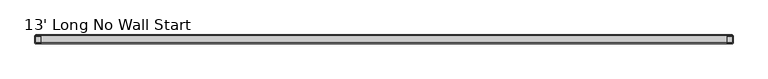
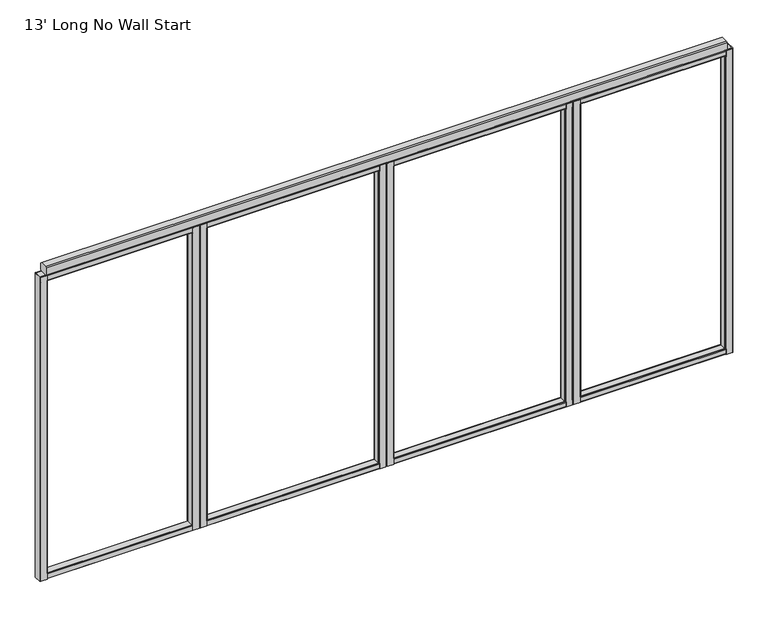
"""IFC4 building model written with IfcOpenShell, lengths in millimetres: furniture geometry, 13' Long No Wall Start."""

from ifc_helpers import new_model, si_unit, frame, origin, place, context, project, spatial, polyline, outline, extrude, faceted_brep, source, transform, mapped, element, save


def furniture_13_long_no_wall_start_eab5a159(model_context):
    return source(origin(), model_context, "Body", "SolidModel", [
        faceted_brep([(918.8958, 25.4, 1937.6408515), (918.8958, 23.1181008, 1937.6408515), (919.3151471, 23.2918, 1937.6408515), (953.9348529, 23.2918, 1937.6408515), (954.3542, 23.1181008, 1937.6408515), (954.3542, 25.4, 1937.6408515), (954.3542, -25.4, 1937.6408515), (954.3542, -23.1181008, 1937.6408515), (953.9348529, -23.2918, 1937.6408515), (919.3151471, -23.2918, 1937.6408515), (918.8958, -23.1181008, 1937.6408515), (918.8958, -25.4, 1937.6408515), (918.8958, -25.4, 104.7768515), (918.8958, -23.1181008, 104.7768515), (919.3151471, -23.2918, 104.7768515), (953.9348529, -23.2918, 104.7768515), (954.3542, -23.1181008, 104.7768515), (954.3542, -25.4, 104.7768515), (954.3542, 25.4, 104.7768515), (954.3542, 23.1181008, 104.7768515), (953.9348529, 23.2918, 104.7768515), (919.3151471, 23.2918, 104.7768515), (918.8958, 23.1181008, 104.7768515), (918.8958, 25.4, 104.7768515), (958.85, -20.9042, 1905.6368515), (958.85, -20.9042, 136.7808515), (958.85, 20.9042, 136.7808515), (958.85, 20.9042, 1905.6368515), (918.8958, -25.4, 1905.6368515), (918.8958, -25.4, 136.7808515), (954.3542, -25.4, 136.7808515), (954.3542, -25.4, 1905.6368515), (914.4, -20.9042, 136.7808515), (914.4, -20.9042, 1905.6368515), (914.4, 20.9042, 1905.6368515), (914.4, 20.9042, 136.7808515), (954.3542, 25.4, 1905.6368515), (954.3542, 25.4, 136.7808515), (918.8958, 25.4, 136.7808515), (918.8958, 25.4, 1905.6368515), (957.5332107, 24.0832107, 1905.6368515), (957.5332107, 24.0832107, 136.7808515), (957.5332107, -24.0832107, 1905.6368515), (957.5332107, -24.0832107, 136.7808515), (915.7167893, -24.0832107, 1905.6368515), (915.7167893, -24.0832107, 136.7808515), (915.7167893, 24.0832107, 1905.6368515), (915.7167893, 24.0832107, 136.7808515), (956.7418, 20.4848529, 1905.6368515), (956.7418, 20.4848529, 136.7808515), (956.7418, -20.4848529, 136.7808515), (956.7418, -20.4848529, 1905.6368515), (955.9196642, 22.4696642, 1905.6368515), (955.9196642, 22.4696642, 136.7808515), (954.3542, 23.1181008, 136.7808515), (954.3542, 23.1181008, 1905.6368515), (918.8958, 23.1181008, 1905.6368515), (917.3303358, 22.4696642, 1905.6368515), (917.3303358, 22.4696642, 136.7808515), (918.8958, 23.1181008, 136.7808515), (916.5082, 20.4848529, 1905.6368515), (916.5082, 20.4848529, 136.7808515), (916.5082, -20.4848529, 1905.6368515), (916.5082, -20.4848529, 136.7808515), (917.3303358, -22.4696642, 1905.6368515), (917.3303358, -22.4696642, 136.7808515), (918.8958, -23.1181008, 136.7808515), (918.8958, -23.1181008, 1905.6368515), (954.3542, -23.1181008, 1905.6368515), (955.9196642, -22.4696642, 1905.6368515), (955.9196642, -22.4696642, 136.7808515), (954.3542, -23.1181008, 136.7808515)], [[[0, 1, 2, 3, 4, 5]], [[6, 7, 8, 9, 10, 11]], [[12, 13, 14, 15, 16, 17]], [[18, 19, 20, 21, 22, 23]], [[24, 25, 26, 27]], [[11, 28, 29, 12, 17, 30, 31, 6]], [[32, 33, 34, 35]], [[5, 36, 37, 18, 23, 38, 39, 0]], [[40, 41, 37, 36]], [[27, 26, 41, 40]], [[42, 43, 25, 24]], [[31, 30, 43, 42]], [[29, 28, 44, 45]], [[45, 44, 33, 32]], [[35, 34, 46, 47]], [[47, 46, 39, 38]], [[48, 49, 50, 51]], [[52, 53, 49, 48]], [[20, 19, 54, 53, 52, 55, 4, 3]], [[2, 21, 20, 3]], [[2, 1, 56, 57, 58, 59, 22, 21]], [[58, 57, 60, 61]], [[61, 60, 62, 63]], [[63, 62, 64, 65]], [[14, 13, 66, 65, 64, 67, 10, 9]], [[8, 15, 14, 9]], [[8, 7, 68, 69, 70, 71, 16, 15]], [[51, 50, 70, 69]], [[55, 52, 48, 51, 69, 68, 31, 42, 24, 27, 40, 36]], [[36, 5, 4, 55]], [[68, 7, 6, 31]], [[37, 41, 26, 25, 43, 30, 71, 70, 50, 49, 53, 54]], [[30, 17, 16, 71]], [[54, 19, 18, 37]], [[59, 58, 61, 63, 65, 66, 29, 45, 32, 35, 47, 38]], [[38, 23, 22, 59]], [[66, 13, 12, 29]], [[39, 46, 34, 33, 44, 28, 67, 64, 62, 60, 57, 56]], [[28, 11, 10, 67]], [[56, 1, 0, 39]]]),
        faceted_brep([(874.4458, 25.4, 1937.6408515), (874.4458, 23.1181008, 1937.6408515), (874.8651471, 23.2918, 1937.6408515), (909.4848529, 23.2918, 1937.6408515), (909.9042, 23.1181008, 1937.6408515), (909.9042, 25.4, 1937.6408515), (909.9042, -25.4, 1937.6408515), (909.9042, -23.1181008, 1937.6408515), (909.4848529, -23.2918, 1937.6408515), (874.8651471, -23.2918, 1937.6408515), (874.4458, -23.1181008, 1937.6408515), (874.4458, -25.4, 1937.6408515), (874.4458, -25.4, 104.7768515), (874.4458, -23.1181008, 104.7768515), (874.8651471, -23.2918, 104.7768515), (909.4848529, -23.2918, 104.7768515), (909.9042, -23.1181008, 104.7768515), (909.9042, -25.4, 104.7768515), (909.9042, 25.4, 104.7768515), (909.9042, 23.1181008, 104.7768515), (909.4848529, 23.2918, 104.7768515), (874.8651471, 23.2918, 104.7768515), (874.4458, 23.1181008, 104.7768515), (874.4458, 25.4, 104.7768515), (869.95, 20.9042, 1905.6368515), (869.95, 20.9042, 136.7808515), (869.95, -20.9042, 136.7808515), (869.95, -20.9042, 1905.6368515), (874.4458, -25.4, 1905.6368515), (874.4458, -25.4, 136.7808515), (909.9042, -25.4, 136.7808515), (909.9042, -25.4, 1905.6368515), (914.4, -20.9042, 1905.6368515), (914.4, -20.9042, 136.7808515), (914.4, 20.9042, 136.7808515), (914.4, 20.9042, 1905.6368515), (909.9042, 25.4, 1905.6368515), (909.9042, 25.4, 136.7808515), (874.4458, 25.4, 136.7808515), (874.4458, 25.4, 1905.6368515), (871.2667893, 24.0832107, 136.7808515), (871.2667893, 24.0832107, 1905.6368515), (871.2667893, -24.0832107, 136.7808515), (871.2667893, -24.0832107, 1905.6368515), (913.0832107, -24.0832107, 136.7808515), (913.0832107, -24.0832107, 1905.6368515), (913.0832107, 24.0832107, 136.7808515), (913.0832107, 24.0832107, 1905.6368515), (872.0582, -20.4848529, 1905.6368515), (872.0582, -20.4848529, 136.7808515), (872.0582, 20.4848529, 136.7808515), (872.0582, 20.4848529, 1905.6368515), (872.8803358, 22.4696642, 136.7808515), (872.8803358, 22.4696642, 1905.6368515), (874.4458, 23.1181008, 1905.6368515), (874.4458, 23.1181008, 136.7808515), (909.9042, 23.1181008, 136.7808515), (911.4696642, 22.4696642, 136.7808515), (911.4696642, 22.4696642, 1905.6368515), (909.9042, 23.1181008, 1905.6368515), (912.2918, 20.4848529, 136.7808515), (912.2918, 20.4848529, 1905.6368515), (912.2918, -20.4848529, 136.7808515), (912.2918, -20.4848529, 1905.6368515), (911.4696642, -22.4696642, 136.7808515), (911.4696642, -22.4696642, 1905.6368515), (909.9042, -23.1181008, 1905.6368515), (909.9042, -23.1181008, 136.7808515), (874.4458, -23.1181008, 136.7808515), (872.8803358, -22.4696642, 136.7808515), (872.8803358, -22.4696642, 1905.6368515), (874.4458, -23.1181008, 1905.6368515)], [[[0, 1, 2, 3, 4, 5]], [[6, 7, 8, 9, 10, 11]], [[12, 13, 14, 15, 16, 17]], [[18, 19, 20, 21, 22, 23]], [[24, 25, 26, 27]], [[11, 28, 29, 12, 17, 30, 31, 6]], [[32, 33, 34, 35]], [[5, 36, 37, 18, 23, 38, 39, 0]], [[39, 38, 40, 41]], [[41, 40, 25, 24]], [[27, 26, 42, 43]], [[43, 42, 29, 28]], [[31, 30, 44, 45]], [[45, 44, 33, 32]], [[35, 34, 46, 47]], [[47, 46, 37, 36]], [[48, 49, 50, 51]], [[51, 50, 52, 53]], [[2, 1, 54, 53, 52, 55, 22, 21]], [[2, 21, 20, 3]], [[20, 19, 56, 57, 58, 59, 4, 3]], [[58, 57, 60, 61]], [[61, 60, 62, 63]], [[63, 62, 64, 65]], [[8, 7, 66, 65, 64, 67, 16, 15]], [[8, 15, 14, 9]], [[14, 13, 68, 69, 70, 71, 10, 9]], [[70, 69, 49, 48]], [[39, 41, 24, 27, 43, 28, 71, 70, 48, 51, 53, 54]], [[28, 11, 10, 71]], [[54, 1, 0, 39]], [[55, 52, 50, 49, 69, 68, 29, 42, 26, 25, 40, 38]], [[38, 23, 22, 55]], [[68, 13, 12, 29]], [[59, 58, 61, 63, 65, 66, 31, 45, 32, 35, 47, 36]], [[36, 5, 4, 59]], [[66, 7, 6, 31]], [[37, 46, 34, 33, 44, 30, 67, 64, 62, 60, 57, 56]], [[30, 17, 16, 67]], [[56, 19, 18, 37]]]),
        faceted_brep([(3043.5042, 25.4, 1937.6408515), (3008.0458, 25.4, 1937.6408515), (3008.0458, 23.1181008, 1937.6408515), (3008.4651471, 23.2918, 1937.6408515), (3043.0848529, 23.2918, 1937.6408515), (3043.5042, 23.1181008, 1937.6408515), (3008.0458, -25.4, 1937.6408515), (3043.5042, -25.4, 1937.6408515), (3043.5042, -23.1181008, 1937.6408515), (3043.0848529, -23.2918, 1937.6408515), (3008.4651471, -23.2918, 1937.6408515), (3008.0458, -23.1181008, 1937.6408515), (3043.5042, -25.4, 104.7768515), (3008.0458, -25.4, 104.7768515), (3008.0458, -23.1181008, 104.7768515), (3008.4651471, -23.2918, 104.7768515), (3043.0848529, -23.2918, 104.7768515), (3043.5042, -23.1181008, 104.7768515), (3008.0458, 25.4, 104.7768515), (3043.5042, 25.4, 104.7768515), (3043.5042, 23.1181008, 104.7768515), (3043.0848529, 23.2918, 104.7768515), (3008.4651471, 23.2918, 104.7768515), (3008.0458, 23.1181008, 104.7768515), (3003.55, -20.9042, 1905.6368515), (3003.55, 20.9042, 1905.6368515), (3003.55, 20.9042, 136.7808515), (3003.55, -20.9042, 136.7808515), (3008.0458, -25.4, 1905.6368515), (3008.0458, -25.4, 136.7808515), (3043.5042, -25.4, 136.7808515), (3043.5042, -25.4, 1905.6368515), (3048.0, -20.9042, 136.7808515), (3048.0, 20.9042, 136.7808515), (3048.0, 20.9042, 1905.6368515), (3048.0, -20.9042, 1905.6368515), (3043.5042, 25.4, 1905.6368515), (3043.5042, 25.4, 136.7808515), (3008.0458, 25.4, 136.7808515), (3008.0458, 25.4, 1905.6368515), (3004.8667893, 24.0832107, 1905.6368515), (3004.8667893, 24.0832107, 136.7808515), (3004.8667893, -24.0832107, 1905.6368515), (3004.8667893, -24.0832107, 136.7808515), (3046.6832107, -24.0832107, 136.7808515), (3046.6832107, -24.0832107, 1905.6368515), (3046.6832107, 24.0832107, 136.7808515), (3046.6832107, 24.0832107, 1905.6368515), (3005.6582, 20.4848529, 1905.6368515), (3005.6582, -20.4848529, 1905.6368515), (3005.6582, -20.4848529, 136.7808515), (3005.6582, 20.4848529, 136.7808515), (3006.4803358, 22.4696642, 1905.6368515), (3006.4803358, 22.4696642, 136.7808515), (3008.0458, 23.1181008, 1905.6368515), (3008.0458, 23.1181008, 136.7808515), (3043.5042, 23.1181008, 136.7808515), (3045.0696642, 22.4696642, 136.7808515), (3045.0696642, 22.4696642, 1905.6368515), (3043.5042, 23.1181008, 1905.6368515), (3045.8918, 20.4848529, 136.7808515), (3045.8918, 20.4848529, 1905.6368515), (3045.8918, -20.4848529, 136.7808515), (3045.8918, -20.4848529, 1905.6368515), (3045.0696642, -22.4696642, 136.7808515), (3045.0696642, -22.4696642, 1905.6368515), (3043.5042, -23.1181008, 1905.6368515), (3043.5042, -23.1181008, 136.7808515), (3008.0458, -23.1181008, 136.7808515), (3006.4803358, -22.4696642, 136.7808515), (3006.4803358, -22.4696642, 1905.6368515), (3008.0458, -23.1181008, 1905.6368515)], [[[0, 1, 2, 3, 4, 5]], [[6, 7, 8, 9, 10, 11]], [[12, 13, 14, 15, 16, 17]], [[18, 19, 20, 21, 22, 23]], [[24, 25, 26, 27]], [[7, 6, 28, 29, 13, 12, 30, 31]], [[32, 33, 34, 35]], [[1, 0, 36, 37, 19, 18, 38, 39]], [[40, 39, 38, 41]], [[25, 40, 41, 26]], [[42, 24, 27, 43]], [[28, 42, 43, 29]], [[30, 44, 45, 31]], [[44, 32, 35, 45]], [[33, 46, 47, 34]], [[46, 37, 36, 47]], [[48, 49, 50, 51]], [[52, 48, 51, 53]], [[22, 3, 2, 54, 52, 53, 55, 23]], [[4, 3, 22, 21]], [[4, 21, 20, 56, 57, 58, 59, 5]], [[57, 60, 61, 58]], [[60, 62, 63, 61]], [[62, 64, 65, 63]], [[16, 9, 8, 66, 65, 64, 67, 17]], [[10, 9, 16, 15]], [[10, 15, 14, 68, 69, 70, 71, 11]], [[49, 70, 69, 50]], [[54, 39, 40, 25, 24, 42, 28, 71, 70, 49, 48, 52]], [[39, 54, 2, 1]], [[71, 28, 6, 11]], [[38, 55, 53, 51, 50, 69, 68, 29, 43, 27, 26, 41]], [[55, 38, 18, 23]], [[29, 68, 14, 13]], [[56, 37, 46, 33, 32, 44, 30, 67, 64, 62, 60, 57]], [[37, 56, 20, 19]], [[67, 30, 12, 17]], [[36, 59, 58, 61, 63, 65, 66, 31, 45, 35, 34, 47]], [[59, 36, 0, 5]], [[31, 66, 8, 7]]]),
        faceted_brep([(3087.9542, 25.4, 1937.6408515), (3052.4958, 25.4, 1937.6408515), (3052.4958, 23.1181008, 1937.6408515), (3052.9151471, 23.2918, 1937.6408515), (3087.5348529, 23.2918, 1937.6408515), (3087.9542, 23.1181008, 1937.6408515), (3052.4958, -25.4, 1937.6408515), (3087.9542, -25.4, 1937.6408515), (3087.9542, -23.1181008, 1937.6408515), (3087.5348529, -23.2918, 1937.6408515), (3052.9151471, -23.2918, 1937.6408515), (3052.4958, -23.1181008, 1937.6408515), (3087.9542, -25.4, 104.7768515), (3052.4958, -25.4, 104.7768515), (3052.4958, -23.1181008, 104.7768515), (3052.9151471, -23.2918, 104.7768515), (3087.5348529, -23.2918, 104.7768515), (3087.9542, -23.1181008, 104.7768515), (3052.4958, 25.4, 104.7768515), (3087.9542, 25.4, 104.7768515), (3087.9542, 23.1181008, 104.7768515), (3087.5348529, 23.2918, 104.7768515), (3052.9151471, 23.2918, 104.7768515), (3052.4958, 23.1181008, 104.7768515), (3092.45, 20.9042, 1905.6368515), (3092.45, -20.9042, 1905.6368515), (3092.45, -20.9042, 136.7808515), (3092.45, 20.9042, 136.7808515), (3052.4958, -25.4, 1905.6368515), (3052.4958, -25.4, 136.7808515), (3087.9542, -25.4, 136.7808515), (3087.9542, -25.4, 1905.6368515), (3048.0, -20.9042, 1905.6368515), (3048.0, 20.9042, 1905.6368515), (3048.0, 20.9042, 136.7808515), (3048.0, -20.9042, 136.7808515), (3087.9542, 25.4, 1905.6368515), (3087.9542, 25.4, 136.7808515), (3052.4958, 25.4, 136.7808515), (3052.4958, 25.4, 1905.6368515), (3091.1332107, 24.0832107, 1905.6368515), (3091.1332107, 24.0832107, 136.7808515), (3091.1332107, -24.0832107, 1905.6368515), (3091.1332107, -24.0832107, 136.7808515), (3049.3167893, -24.0832107, 1905.6368515), (3049.3167893, -24.0832107, 136.7808515), (3049.3167893, 24.0832107, 1905.6368515), (3049.3167893, 24.0832107, 136.7808515), (3090.3418, -20.4848529, 1905.6368515), (3090.3418, 20.4848529, 1905.6368515), (3090.3418, 20.4848529, 136.7808515), (3090.3418, -20.4848529, 136.7808515), (3089.5196642, 22.4696642, 1905.6368515), (3089.5196642, 22.4696642, 136.7808515), (3087.9542, 23.1181008, 136.7808515), (3087.9542, 23.1181008, 1905.6368515), (3052.4958, 23.1181008, 1905.6368515), (3050.9303358, 22.4696642, 1905.6368515), (3050.9303358, 22.4696642, 136.7808515), (3052.4958, 23.1181008, 136.7808515), (3050.1082, 20.4848529, 1905.6368515), (3050.1082, 20.4848529, 136.7808515), (3050.1082, -20.4848529, 1905.6368515), (3050.1082, -20.4848529, 136.7808515), (3050.9303358, -22.4696642, 1905.6368515), (3050.9303358, -22.4696642, 136.7808515), (3052.4958, -23.1181008, 136.7808515), (3052.4958, -23.1181008, 1905.6368515), (3087.9542, -23.1181008, 1905.6368515), (3089.5196642, -22.4696642, 1905.6368515), (3089.5196642, -22.4696642, 136.7808515), (3087.9542, -23.1181008, 136.7808515)], [[[0, 1, 2, 3, 4, 5]], [[6, 7, 8, 9, 10, 11]], [[12, 13, 14, 15, 16, 17]], [[18, 19, 20, 21, 22, 23]], [[24, 25, 26, 27]], [[7, 6, 28, 29, 13, 12, 30, 31]], [[32, 33, 34, 35]], [[1, 0, 36, 37, 19, 18, 38, 39]], [[36, 40, 41, 37]], [[40, 24, 27, 41]], [[25, 42, 43, 26]], [[42, 31, 30, 43]], [[28, 44, 45, 29]], [[44, 32, 35, 45]], [[33, 46, 47, 34]], [[46, 39, 38, 47]], [[48, 49, 50, 51]], [[49, 52, 53, 50]], [[4, 21, 20, 54, 53, 52, 55, 5]], [[4, 3, 22, 21]], [[22, 3, 2, 56, 57, 58, 59, 23]], [[57, 60, 61, 58]], [[60, 62, 63, 61]], [[62, 64, 65, 63]], [[10, 15, 14, 66, 65, 64, 67, 11]], [[10, 9, 16, 15]], [[16, 9, 8, 68, 69, 70, 71, 17]], [[69, 48, 51, 70]], [[36, 55, 52, 49, 48, 69, 68, 31, 42, 25, 24, 40]], [[55, 36, 0, 5]], [[31, 68, 8, 7]], [[54, 37, 41, 27, 26, 43, 30, 71, 70, 51, 50, 53]], [[37, 54, 20, 19]], [[71, 30, 12, 17]], [[56, 39, 46, 33, 32, 44, 28, 67, 64, 62, 60, 57]], [[39, 56, 2, 1]], [[67, 28, 6, 11]], [[38, 59, 58, 61, 63, 65, 66, 29, 45, 35, 34, 47]], [[59, 38, 18, 23]], [[29, 66, 14, 13]]]),
        faceted_brep([(1976.7042, 25.4, 1937.6408515), (1941.2458, 25.4, 1937.6408515), (1941.2458, 23.1181008, 1937.6408515), (1941.6651471, 23.2918, 1937.6408515), (1976.2848529, 23.2918, 1937.6408515), (1976.7042, 23.1181008, 1937.6408515), (1941.2458, -25.4, 1937.6408515), (1976.7042, -25.4, 1937.6408515), (1976.7042, -23.1181008, 1937.6408515), (1976.2848529, -23.2918, 1937.6408515), (1941.6651471, -23.2918, 1937.6408515), (1941.2458, -23.1181008, 1937.6408515), (1976.7042, -25.4, 104.7768515), (1941.2458, -25.4, 104.7768515), (1941.2458, -23.1181008, 104.7768515), (1941.6651471, -23.2918, 104.7768515), (1976.2848529, -23.2918, 104.7768515), (1976.7042, -23.1181008, 104.7768515), (1941.2458, 25.4, 104.7768515), (1976.7042, 25.4, 104.7768515), (1976.7042, 23.1181008, 104.7768515), (1976.2848529, 23.2918, 104.7768515), (1941.6651471, 23.2918, 104.7768515), (1941.2458, 23.1181008, 104.7768515), (1936.75, -20.9042, 1905.6368515), (1936.75, 20.9042, 1905.6368515), (1936.75, 20.9042, 136.7808515), (1936.75, -20.9042, 136.7808515), (1941.2458, -25.4, 1905.6368515), (1941.2458, -25.4, 136.7808515), (1976.7042, -25.4, 136.7808515), (1976.7042, -25.4, 1905.6368515), (1981.2, -20.9042, 136.7808515), (1981.2, 20.9042, 136.7808515), (1981.2, 20.9042, 1905.6368515), (1981.2, -20.9042, 1905.6368515), (1976.7042, 25.4, 1905.6368515), (1976.7042, 25.4, 136.7808515), (1941.2458, 25.4, 136.7808515), (1941.2458, 25.4, 1905.6368515), (1938.0667893, 24.0832107, 1905.6368515), (1938.0667893, 24.0832107, 136.7808515), (1938.0667893, -24.0832107, 1905.6368515), (1938.0667893, -24.0832107, 136.7808515), (1979.8832107, -24.0832107, 136.7808515), (1979.8832107, -24.0832107, 1905.6368515), (1979.8832107, 24.0832107, 136.7808515), (1979.8832107, 24.0832107, 1905.6368515), (1938.8582, 20.4848529, 1905.6368515), (1938.8582, -20.4848529, 1905.6368515), (1938.8582, -20.4848529, 136.7808515), (1938.8582, 20.4848529, 136.7808515), (1939.6803358, 22.4696642, 1905.6368515), (1939.6803358, 22.4696642, 136.7808515), (1941.2458, 23.1181008, 1905.6368515), (1941.2458, 23.1181008, 136.7808515), (1976.7042, 23.1181008, 136.7808515), (1978.2696642, 22.4696642, 136.7808515), (1978.2696642, 22.4696642, 1905.6368515), (1976.7042, 23.1181008, 1905.6368515), (1979.0918, 20.4848529, 136.7808515), (1979.0918, 20.4848529, 1905.6368515), (1979.0918, -20.4848529, 136.7808515), (1979.0918, -20.4848529, 1905.6368515), (1978.2696642, -22.4696642, 136.7808515), (1978.2696642, -22.4696642, 1905.6368515), (1976.7042, -23.1181008, 1905.6368515), (1976.7042, -23.1181008, 136.7808515), (1941.2458, -23.1181008, 136.7808515), (1939.6803358, -22.4696642, 136.7808515), (1939.6803358, -22.4696642, 1905.6368515), (1941.2458, -23.1181008, 1905.6368515)], [[[0, 1, 2, 3, 4, 5]], [[6, 7, 8, 9, 10, 11]], [[12, 13, 14, 15, 16, 17]], [[18, 19, 20, 21, 22, 23]], [[24, 25, 26, 27]], [[7, 6, 28, 29, 13, 12, 30, 31]], [[32, 33, 34, 35]], [[1, 0, 36, 37, 19, 18, 38, 39]], [[40, 39, 38, 41]], [[25, 40, 41, 26]], [[42, 24, 27, 43]], [[28, 42, 43, 29]], [[30, 44, 45, 31]], [[44, 32, 35, 45]], [[33, 46, 47, 34]], [[46, 37, 36, 47]], [[48, 49, 50, 51]], [[52, 48, 51, 53]], [[22, 3, 2, 54, 52, 53, 55, 23]], [[4, 3, 22, 21]], [[4, 21, 20, 56, 57, 58, 59, 5]], [[57, 60, 61, 58]], [[60, 62, 63, 61]], [[62, 64, 65, 63]], [[16, 9, 8, 66, 65, 64, 67, 17]], [[10, 9, 16, 15]], [[10, 15, 14, 68, 69, 70, 71, 11]], [[49, 70, 69, 50]], [[54, 39, 40, 25, 24, 42, 28, 71, 70, 49, 48, 52]], [[39, 54, 2, 1]], [[71, 28, 6, 11]], [[38, 55, 53, 51, 50, 69, 68, 29, 43, 27, 26, 41]], [[55, 38, 18, 23]], [[29, 68, 14, 13]], [[56, 37, 46, 33, 32, 44, 30, 67, 64, 62, 60, 57]], [[37, 56, 20, 19]], [[67, 30, 12, 17]], [[36, 59, 58, 61, 63, 65, 66, 31, 45, 35, 34, 47]], [[59, 36, 0, 5]], [[31, 66, 8, 7]]]),
        faceted_brep([(2021.1542, 25.4, 1937.6408515), (1985.6958, 25.4, 1937.6408515), (1985.6958, 23.1181008, 1937.6408515), (1986.1151471, 23.2918, 1937.6408515), (2020.7348529, 23.2918, 1937.6408515), (2021.1542, 23.1181008, 1937.6408515), (1985.6958, -25.4, 1937.6408515), (2021.1542, -25.4, 1937.6408515), (2021.1542, -23.1181008, 1937.6408515), (2020.7348529, -23.2918, 1937.6408515), (1986.1151471, -23.2918, 1937.6408515), (1985.6958, -23.1181008, 1937.6408515), (2021.1542, -25.4, 104.7768515), (1985.6958, -25.4, 104.7768515), (1985.6958, -23.1181008, 104.7768515), (1986.1151471, -23.2918, 104.7768515), (2020.7348529, -23.2918, 104.7768515), (2021.1542, -23.1181008, 104.7768515), (1985.6958, 25.4, 104.7768515), (2021.1542, 25.4, 104.7768515), (2021.1542, 23.1181008, 104.7768515), (2020.7348529, 23.2918, 104.7768515), (1986.1151471, 23.2918, 104.7768515), (1985.6958, 23.1181008, 104.7768515), (2025.65, 20.9042, 1905.6368515), (2025.65, -20.9042, 1905.6368515), (2025.65, -20.9042, 136.7808515), (2025.65, 20.9042, 136.7808515), (1985.6958, -25.4, 1905.6368515), (1985.6958, -25.4, 136.7808515), (2021.1542, -25.4, 136.7808515), (2021.1542, -25.4, 1905.6368515), (1981.2, -20.9042, 1905.6368515), (1981.2, 20.9042, 1905.6368515), (1981.2, 20.9042, 136.7808515), (1981.2, -20.9042, 136.7808515), (2021.1542, 25.4, 1905.6368515), (2021.1542, 25.4, 136.7808515), (1985.6958, 25.4, 136.7808515), (1985.6958, 25.4, 1905.6368515), (2024.3332107, 24.0832107, 1905.6368515), (2024.3332107, 24.0832107, 136.7808515), (2024.3332107, -24.0832107, 1905.6368515), (2024.3332107, -24.0832107, 136.7808515), (1982.5167893, -24.0832107, 1905.6368515), (1982.5167893, -24.0832107, 136.7808515), (1982.5167893, 24.0832107, 1905.6368515), (1982.5167893, 24.0832107, 136.7808515), (2023.5418, -20.4848529, 1905.6368515), (2023.5418, 20.4848529, 1905.6368515), (2023.5418, 20.4848529, 136.7808515), (2023.5418, -20.4848529, 136.7808515), (2022.7196642, 22.4696642, 1905.6368515), (2022.7196642, 22.4696642, 136.7808515), (2021.1542, 23.1181008, 136.7808515), (2021.1542, 23.1181008, 1905.6368515), (1985.6958, 23.1181008, 1905.6368515), (1984.1303358, 22.4696642, 1905.6368515), (1984.1303358, 22.4696642, 136.7808515), (1985.6958, 23.1181008, 136.7808515), (1983.3082, 20.4848529, 1905.6368515), (1983.3082, 20.4848529, 136.7808515), (1983.3082, -20.4848529, 1905.6368515), (1983.3082, -20.4848529, 136.7808515), (1984.1303358, -22.4696642, 1905.6368515), (1984.1303358, -22.4696642, 136.7808515), (1985.6958, -23.1181008, 136.7808515), (1985.6958, -23.1181008, 1905.6368515), (2021.1542, -23.1181008, 1905.6368515), (2022.7196642, -22.4696642, 1905.6368515), (2022.7196642, -22.4696642, 136.7808515), (2021.1542, -23.1181008, 136.7808515)], [[[0, 1, 2, 3, 4, 5]], [[6, 7, 8, 9, 10, 11]], [[12, 13, 14, 15, 16, 17]], [[18, 19, 20, 21, 22, 23]], [[24, 25, 26, 27]], [[7, 6, 28, 29, 13, 12, 30, 31]], [[32, 33, 34, 35]], [[1, 0, 36, 37, 19, 18, 38, 39]], [[36, 40, 41, 37]], [[40, 24, 27, 41]], [[25, 42, 43, 26]], [[42, 31, 30, 43]], [[28, 44, 45, 29]], [[44, 32, 35, 45]], [[33, 46, 47, 34]], [[46, 39, 38, 47]], [[48, 49, 50, 51]], [[49, 52, 53, 50]], [[4, 21, 20, 54, 53, 52, 55, 5]], [[4, 3, 22, 21]], [[22, 3, 2, 56, 57, 58, 59, 23]], [[57, 60, 61, 58]], [[60, 62, 63, 61]], [[62, 64, 65, 63]], [[10, 15, 14, 66, 65, 64, 67, 11]], [[10, 9, 16, 15]], [[16, 9, 8, 68, 69, 70, 71, 17]], [[69, 48, 51, 70]], [[36, 55, 52, 49, 48, 69, 68, 31, 42, 25, 24, 40]], [[55, 36, 0, 5]], [[31, 68, 8, 7]], [[54, 37, 41, 27, 26, 43, 30, 71, 70, 51, 50, 53]], [[37, 54, 20, 19]], [[71, 30, 12, 17]], [[56, 39, 46, 33, 32, 44, 28, 67, 64, 62, 60, 57]], [[39, 56, 2, 1]], [[67, 28, 6, 11]], [[38, 59, 58, 61, 63, 65, 66, 29, 45, 35, 34, 47]], [[59, 38, 18, 23]], [[29, 66, 14, 13]]]),
        faceted_brep([(39.9542, 25.4, 1940.56), (4.4958, 25.4, 1940.56), (1.3167893, 24.0832107, 1940.56), (0.0, 20.9042, 1940.56), (0.0, -20.9042, 1940.56), (1.3167893, -24.0832107, 1940.56), (4.4958, -25.4, 1940.56), (39.9542, -25.4, 1940.56), (39.9542, -23.1181008, 1940.56), (39.5348529, -23.2918, 1940.56), (4.9151471, -23.2918, 1940.56), (2.9303358, -22.4696642, 1940.56), (2.1082, -20.4848529, 1940.56), (2.1082, 20.4848529, 1940.56), (2.9303358, 22.4696642, 1940.56), (4.9151471, 23.2918, 1940.56), (39.5348529, 23.2918, 1940.56), (39.9542, 23.1181008, 1940.56), (39.9542, -25.4, 101.6), (4.4958, -25.4, 101.6), (1.3167893, -24.0832107, 101.6), (0.0, -20.9042, 101.6), (0.0, 20.9042, 101.6), (1.3167893, 24.0832107, 101.6), (4.4958, 25.4, 101.6), (39.9542, 25.4, 101.6), (39.9542, 23.1181008, 101.6), (39.5348529, 23.2918, 101.6), (4.9151471, 23.2918, 101.6), (2.9303358, 22.4696642, 101.6), (2.1082, 20.4848529, 101.6), (2.1082, -20.4848529, 101.6), (2.9303358, -22.4696642, 101.6), (4.9151471, -23.2918, 101.6), (39.5348529, -23.2918, 101.6), (39.9542, -23.1181008, 101.6), (44.45, 20.9042, 1905.635), (44.45, -20.9042, 1905.635), (44.45, -20.9042, 136.525), (44.45, 20.9042, 136.525), (39.9542, -25.4, 136.525), (39.9542, -25.4, 1905.635), (39.9542, 25.4, 1905.635), (39.9542, 25.4, 136.525), (43.1332107, 24.0832107, 1905.635), (43.1332107, 24.0832107, 136.525), (43.1332107, -24.0832107, 1905.635), (43.1332107, -24.0832107, 136.525), (42.3418, -20.4848529, 1905.635), (42.3418, 20.4848529, 1905.635), (42.3418, 20.4848529, 136.525), (42.3418, -20.4848529, 136.525), (41.5196642, 22.4696642, 1905.635), (41.5196642, 22.4696642, 136.525), (39.9542, 23.1181008, 136.525), (39.9542, 23.1181008, 1905.635), (39.9542, -23.1181008, 1905.635), (41.5196642, -22.4696642, 1905.635), (41.5196642, -22.4696642, 136.525), (39.9542, -23.1181008, 136.525)], [[[0, 1, 2, 3, 4, 5, 6, 7, 8, 9, 10, 11, 12, 13, 14, 15, 16, 17]], [[18, 19, 20, 21, 22, 23, 24, 25, 26, 27, 28, 29, 30, 31, 32, 33, 34, 35]], [[36, 37, 38, 39]], [[7, 6, 19, 18, 40, 41]], [[4, 3, 22, 21]], [[1, 0, 42, 43, 25, 24]], [[42, 44, 45, 43]], [[44, 36, 39, 45]], [[37, 46, 47, 38]], [[46, 41, 40, 47]], [[6, 5, 20, 19]], [[5, 4, 21, 20]], [[3, 2, 23, 22]], [[2, 1, 24, 23]], [[48, 49, 50, 51]], [[49, 52, 53, 50]], [[16, 27, 26, 54, 53, 52, 55, 17]], [[16, 15, 28, 27]], [[15, 14, 29, 28]], [[14, 13, 30, 29]], [[13, 12, 31, 30]], [[12, 11, 32, 31]], [[11, 10, 33, 32]], [[10, 9, 34, 33]], [[34, 9, 8, 56, 57, 58, 59, 35]], [[57, 48, 51, 58]], [[42, 55, 52, 49, 48, 57, 56, 41, 46, 37, 36, 44]], [[55, 42, 0, 17]], [[41, 56, 8, 7]], [[54, 43, 45, 39, 38, 47, 40, 59, 58, 51, 50, 53]], [[43, 54, 26, 25]], [[59, 40, 18, 35]]]),
        faceted_brep([(3922.4458, -25.4, 1940.56), (3957.9042, -25.4, 1940.56), (3961.0832107, -24.0832107, 1940.56), (3962.4, -20.9042, 1940.56), (3962.4, 20.9042, 1940.56), (3961.0832107, 24.0832107, 1940.56), (3957.9042, 25.4, 1940.56), (3922.4458, 25.4, 1940.56), (3922.4458, 23.1181008, 1940.56), (3922.8651471, 23.2918, 1940.56), (3957.4848529, 23.2918, 1940.56), (3959.4696642, 22.4696642, 1940.56), (3960.2918, 20.4848529, 1940.56), (3960.2918, -20.4848529, 1940.56), (3959.4696642, -22.4696642, 1940.56), (3957.4848529, -23.2918, 1940.56), (3922.8651471, -23.2918, 1940.56), (3922.4458, -23.1181008, 1940.56), (3922.4458, 25.4, 101.6), (3957.9042, 25.4, 101.6), (3961.0832107, 24.0832107, 101.6), (3962.4, 20.9042, 101.6), (3962.4, -20.9042, 101.6), (3961.0832107, -24.0832107, 101.6), (3957.9042, -25.4, 101.6), (3922.4458, -25.4, 101.6), (3922.4458, -23.1181008, 101.6), (3922.8651471, -23.2918, 101.6), (3957.4848529, -23.2918, 101.6), (3959.4696642, -22.4696642, 101.6), (3960.2918, -20.4848529, 101.6), (3960.2918, 20.4848529, 101.6), (3959.4696642, 22.4696642, 101.6), (3957.4848529, 23.2918, 101.6), (3922.8651471, 23.2918, 101.6), (3922.4458, 23.1181008, 101.6), (3917.95, -20.9042, 1905.635), (3917.95, 20.9042, 1905.635), (3917.95, 20.9042, 136.525), (3917.95, -20.9042, 136.525), (3922.4458, -25.4, 1905.635), (3922.4458, -25.4, 136.525), (3922.4458, 25.4, 136.525), (3922.4458, 25.4, 1905.635), (3919.2667893, 24.0832107, 1905.635), (3919.2667893, 24.0832107, 136.525), (3919.2667893, -24.0832107, 1905.635), (3919.2667893, -24.0832107, 136.525), (3920.0582, 20.4848529, 1905.635), (3920.0582, -20.4848529, 1905.635), (3920.0582, -20.4848529, 136.525), (3920.0582, 20.4848529, 136.525), (3920.8803358, 22.4696642, 1905.635), (3920.8803358, 22.4696642, 136.525), (3922.4458, 23.1181008, 1905.635), (3922.4458, 23.1181008, 136.525), (3922.4458, -23.1181008, 136.525), (3920.8803358, -22.4696642, 136.525), (3920.8803358, -22.4696642, 1905.635), (3922.4458, -23.1181008, 1905.635)], [[[0, 1, 2, 3, 4, 5, 6, 7, 8, 9, 10, 11, 12, 13, 14, 15, 16, 17]], [[18, 19, 20, 21, 22, 23, 24, 25, 26, 27, 28, 29, 30, 31, 32, 33, 34, 35]], [[36, 37, 38, 39]], [[1, 0, 40, 41, 25, 24]], [[4, 3, 22, 21]], [[7, 6, 19, 18, 42, 43]], [[44, 43, 42, 45]], [[37, 44, 45, 38]], [[46, 36, 39, 47]], [[40, 46, 47, 41]], [[2, 1, 24, 23]], [[3, 2, 23, 22]], [[5, 4, 21, 20]], [[6, 5, 20, 19]], [[48, 49, 50, 51]], [[52, 48, 51, 53]], [[34, 9, 8, 54, 52, 53, 55, 35]], [[10, 9, 34, 33]], [[11, 10, 33, 32]], [[12, 11, 32, 31]], [[13, 12, 31, 30]], [[14, 13, 30, 29]], [[15, 14, 29, 28]], [[16, 15, 28, 27]], [[16, 27, 26, 56, 57, 58, 59, 17]], [[49, 58, 57, 50]], [[54, 43, 44, 37, 36, 46, 40, 59, 58, 49, 48, 52]], [[43, 54, 8, 7]], [[59, 40, 0, 17]], [[42, 55, 53, 51, 50, 57, 56, 41, 47, 39, 38, 45]], [[55, 42, 18, 35]], [[41, 56, 26, 25]]]),
        extrude(outline(polyline([(-18.7325958, 101.6), (-21.884598, 102.905602), (-23.1902, 106.0576042), (-23.1902, 132.0673958), (-21.884598, 135.219398), (-18.7325958, 136.525), (18.7325958, 136.525), (21.884598, 135.219398), (23.1902, 132.0673958), (23.1902, 106.0576042), (21.884598, 102.905602), (18.7325958, 101.6), (-18.7325958, 101.6)]), holes=[polyline([(-18.3132488, 103.7082), (18.3132488, 103.7082), (20.2710515, 104.5191485), (21.082, 106.4769512), (21.082, 131.6480488), (20.2710515, 133.6058515), (18.3132488, 134.4168), (-18.3132488, 134.4168), (-20.2710515, 133.6058515), (-21.082, 131.6480488), (-21.082, 106.4769512), (-20.2710515, 104.5191485), (-18.3132488, 103.7082)])]), frame((2.1082, 0.0, 0.0), z_axis=(1.0, 0.0, 0.0), x_axis=(0.0, 1.0, 0.0)), (0.0, 0.0, 1.0), 3958.1836),
        extrude(outline(polyline([(-18.7325958, 1940.56), (18.7325958, 1940.56), (21.884598, 1939.254398), (23.1902, 1936.1023958), (23.1902, 1910.0926042), (21.884598, 1906.940602), (18.7325958, 1905.635), (-18.7325958, 1905.635), (-21.884598, 1906.940602), (-23.1902, 1910.0926042), (-23.1902, 1936.1023958), (-21.884598, 1939.254398), (-18.7325958, 1940.56)]), holes=[polyline([(-18.3132488, 1938.4518), (-20.2710515, 1937.6408515), (-21.082, 1935.6830488), (-21.082, 1910.5119512), (-20.2710515, 1908.5541485), (-18.3132488, 1907.7432), (18.3132488, 1907.7432), (20.2710515, 1908.5541485), (21.082, 1910.5119512), (21.082, 1935.6830488), (20.2710515, 1937.6408515), (18.3132488, 1938.4518), (-18.3132488, 1938.4518)])]), frame((2.1082, 0.0, 0.0), z_axis=(1.0, 0.0, 0.0), x_axis=(0.0, 1.0, 0.0)), (0.0, 0.0, 1.0), 3958.1836),
        extrude(outline(polyline([(19.908865, 1991.36), (25.4, 1985.868865), (25.4, 1946.051135), (19.908865, 1940.56), (-19.908865, 1940.56), (-25.4, 1946.051135), (-25.4, 1985.868865), (-19.908865, 1991.36), (19.908865, 1991.36)])), frame((34.5948, 0.0, 0.0), z_axis=(1.0, 0.0, 0.0), x_axis=(0.0, 1.0, 0.0)), (0.0, 0.0, 1.0), 3893.2104),
    ])


if __name__ == "__main__":
    model = new_model("IFC4")
    model_context = context("Model", 3, world=origin())
    ifc_project = project(units=[si_unit("LENGTHUNIT", "METRE", prefix="MILLI")], contexts=[model_context])
    site = spatial("IfcSite", under=ifc_project)
    building = spatial("IfcBuilding", under=site)
    placement = place(None, origin())
    furniture_13_long_no_wall_start_shape = furniture_13_long_no_wall_start_eab5a159(model_context)
    element("IfcFurniture", 1, ObjectType="13' Long No Wall Start", at=placement, inside=building, context=model_context, shape_type="MappedRepresentation", body=[
        mapped(furniture_13_long_no_wall_start_shape, transform((0.0, 0.0, 0.0), x_axis=(1.0, 0.0, 0.0), y_axis=(0.0, 1.0, 0.0), z_axis=(0.0, 0.0, 1.0))),
    ])
    save(model, "model.ifc")
